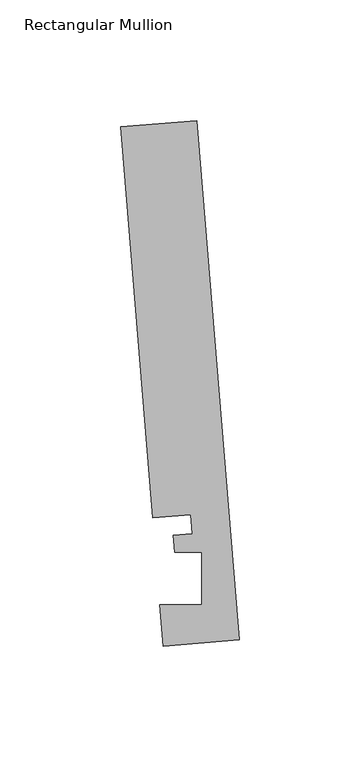
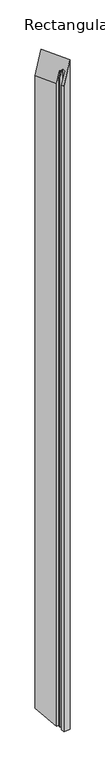
"""IFC4 building model written with IfcOpenShell, lengths in millimetres: member geometry, Rectangular Mullion."""

from ifc_helpers import new_model, si_unit, origin, place, context, project, spatial, faceted_brep, source, transform, mapped, element, save


def rectangular_mullion_3e2c49ad(model_context):
    return source(origin(), model_context, "Body", "Brep", [
        faceted_brep([(-17.8927766, 218.100182, -70.38685), (-0.2190396, 2.6699364, -0.861661), (-0.2190396, 2.6699364, -3491.1731317), (-17.8927766, 218.100182, -3491.1731317), (-49.5364672, 215.5041572, -194.8672343), (-49.5364672, 215.5041572, -3491.1731317), (-36.2302824, 53.3112566, -142.5231819), (-36.2302824, 53.3112566, -3491.1731317), (-20.4084371, 54.6092691, -80.2829897), (-20.4084371, 54.6092691, -3491.1731317), (-19.7625461, 46.7363188, -77.7421749), (-19.7625461, 46.7363188, -3491.1731317), (-27.6861262, 46.0862742, -108.9120632), (-27.6861262, 46.0862742, -3491.1731317), (-27.100463, 38.9474576, -106.6081732), (-27.100463, 38.9474576, -3491.1731317), (-15.848851, 38.9474576, -62.3464274), (-15.848851, 38.9474576, -3491.1731317), (-15.8506254, 17.315866, -62.3534078), (-15.8506254, 17.315866, -3491.1731317), (-33.2772473, 17.315866, -130.9064921), (-33.2772473, 17.315866, -3491.1731317), (-31.8627302, 0.0739116, -125.3420452), (-31.8627302, 0.0739116, -3491.1731317)], [[[0, 1, 2, 3]], [[4, 0, 3, 5]], [[6, 4, 5, 7]], [[8, 6, 7, 9]], [[10, 8, 9, 11]], [[12, 10, 11, 13]], [[14, 12, 13, 15]], [[16, 14, 15, 17]], [[18, 16, 17, 19]], [[20, 18, 19, 21]], [[22, 20, 21, 23]], [[1, 22, 23, 2]], [[1, 0, 4, 6, 8, 10, 12, 14, 16, 18, 20, 22]], [[2, 23, 21, 19, 17, 15, 13, 11, 9, 7, 5, 3]]]),
    ])


if __name__ == "__main__":
    model = new_model("IFC4")
    model_context = context("Model", 3, world=origin())
    ifc_project = project(units=[si_unit("LENGTHUNIT", "METRE", prefix="MILLI")], contexts=[model_context])
    site = spatial("IfcSite", under=ifc_project)
    building = spatial("IfcBuilding", under=site)
    placement = place(None, origin())
    rectangular_mullion_shape = rectangular_mullion_3e2c49ad(model_context)
    element("IfcMember", 1, ObjectType="Rectangular Mullion", at=placement, inside=building, context=model_context, shape_type="MappedRepresentation", body=[
        mapped(rectangular_mullion_shape, transform((0.0, 0.0, 0.0), x_axis=(1.0, 0.0, 0.0), y_axis=(0.0, 1.0, 0.0), z_axis=(0.0, 0.0, 1.0))),
    ])
    save(model, "model.ifc")
